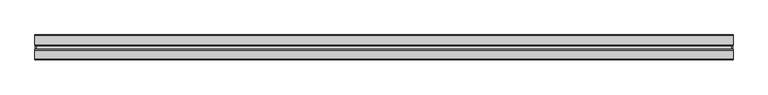
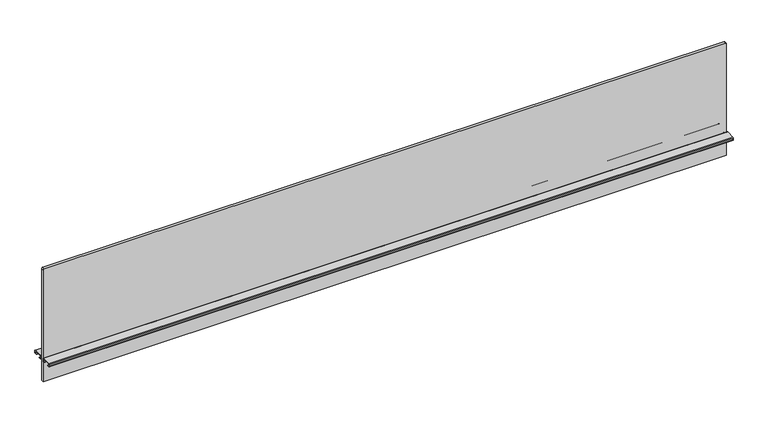
"""IFC4 building model written with IfcOpenShell, lengths in millimetres: furniture geometry."""

from ifc_helpers import new_model, si_unit, point, frame, frame_2d, origin, place, context, project, spatial, polyline, circle_curve, trimmed, segment, composite_curve, outline, extrude, source, transform, mapped, element, save


def furniture_17ac8b40(model_context):
    return source(origin(), model_context, "Body", "SweptSolid", [
        extrude(outline(composite_curve([segment(polyline([(1061.059613, 1061.72), (1061.059613, -1061.72)]), True, "CONTINUOUS"), segment(trimmed(circle_curve(frame_2d((1057.249613, -1061.72)), 3.81), [point((1061.059613, -1061.72))], [point((1057.249613, -1065.53))], False, "CARTESIAN"), True, "CONTINUOUS"), segment(polyline([(1057.249613, -1065.53), (689.965613, -1065.53), (689.965613, 1065.53), (1057.249613, 1065.53)]), True, "CONTINUOUS"), segment(trimmed(circle_curve(frame_2d((1057.249613, 1061.72)), 3.81), [point((1057.249613, 1065.53))], [point((1061.059613, 1061.72))], False, "CARTESIAN"), True, "CONTINUOUS")], self_intersect=False)), frame((0.0, -3.683001, 0.0), z_axis=(0.0, 1.0, 0.0), x_axis=(0.0, 0.0, 1.0)), (0.0, 0.0, 1.0), 7.3660021),
        extrude(outline(composite_curve([segment(polyline([(8.1724496, 769.2644064), (36.0679996, 769.2644064)]), True, "CONTINUOUS"), segment(trimmed(circle_curve(frame_2d((36.0679996, 767.2324064)), 2.032), [point((36.0679996, 769.2644064))], [point((38.0999996, 767.2324064))], False, "CARTESIAN"), True, "CONTINUOUS"), segment(polyline([(38.0999996, 767.2324064), (38.0999996, 761.1364161)]), True, "CONTINUOUS"), segment(trimmed(circle_curve(frame_2d((36.0679996, 761.1364161)), 2.032), [point((38.0999996, 761.1364161))], [point((36.0679996, 759.1044161))], False, "CARTESIAN"), True, "CONTINUOUS"), segment(polyline([(36.0679996, 759.1044161), (30.7784504, 759.1044161), (30.7784504, 760.0187498), (36.1695996, 760.0187498)]), True, "CONTINUOUS"), segment(trimmed(circle_curve(frame_2d((36.1695996, 761.0347498)), 1.016), [point((36.1695996, 760.0187498))], [point((37.1855996, 761.0347498))], True, "CARTESIAN"), True, "CONTINUOUS"), segment(polyline([(37.1855996, 761.0347498), (37.1855996, 767.334)]), True, "CONTINUOUS"), segment(trimmed(circle_curve(frame_2d((36.1695996, 767.334)), 1.016), [point((37.1855996, 767.334))], [point((36.1695996, 768.35))], True, "CARTESIAN"), True, "CONTINUOUS"), segment(polyline([(36.1695996, 768.35), (8.0708496, 768.35)]), True, "CONTINUOUS"), segment(trimmed(circle_curve(frame_2d((8.0708496, 767.334)), 1.016), [point((8.0708496, 768.35))], [point((7.0548496, 767.334))], True, "CARTESIAN"), True, "CONTINUOUS"), segment(polyline([(7.0548496, 767.334), (7.0548496, 761.0347498)]), True, "CONTINUOUS"), segment(trimmed(circle_curve(frame_2d((8.0708496, 761.0347498)), 1.016), [point((7.0548496, 761.0347498))], [point((8.0708496, 760.0187498))], True, "CARTESIAN"), True, "CONTINUOUS"), segment(polyline([(8.0708496, 760.0187498), (13.4619988, 760.0187498), (13.4619988, 759.1044161), (8.1724496, 759.1044161)]), True, "CONTINUOUS"), segment(trimmed(circle_curve(frame_2d((8.1724496, 761.1364161)), 2.032), [point((8.1724496, 759.1044161))], [point((6.1404496, 761.1364161))], False, "CARTESIAN"), True, "CONTINUOUS"), segment(polyline([(6.1404496, 761.1364161), (6.1404496, 767.2324064)]), True, "CONTINUOUS"), segment(trimmed(circle_curve(frame_2d((8.1724496, 767.2324064)), 2.032), [point((6.1404496, 767.2324064))], [point((8.1724496, 769.2644064))], False, "CARTESIAN"), True, "CONTINUOUS")], self_intersect=False)), frame((-1066.8, 0.0, 0.0), z_axis=(1.0, 0.0, 0.0), x_axis=(0.0, 1.0, 0.0)), (0.0, 0.0, 1.0), 2133.6),
        extrude(outline(composite_curve([segment(trimmed(circle_curve(frame_2d((-8.1724496, 767.2324064)), 2.032), [point((-8.1724496, 769.2644064))], [point((-6.1404496, 767.2324064))], False, "CARTESIAN"), True, "CONTINUOUS"), segment(polyline([(-6.1404496, 767.2324064), (-6.1404496, 761.1364161)]), True, "CONTINUOUS"), segment(trimmed(circle_curve(frame_2d((-8.1724496, 761.1364161)), 2.032), [point((-6.1404496, 761.1364161))], [point((-8.1724496, 759.1044161))], False, "CARTESIAN"), True, "CONTINUOUS"), segment(polyline([(-8.1724496, 759.1044161), (-13.4619988, 759.1044161), (-13.4619988, 760.0187498), (-8.0708496, 760.0187498)]), True, "CONTINUOUS"), segment(trimmed(circle_curve(frame_2d((-8.0708496, 761.0347498)), 1.016), [point((-8.0708496, 760.0187498))], [point((-7.0548496, 761.0347498))], True, "CARTESIAN"), True, "CONTINUOUS"), segment(polyline([(-7.0548496, 761.0347498), (-7.0548496, 767.334)]), True, "CONTINUOUS"), segment(trimmed(circle_curve(frame_2d((-8.0708496, 767.334)), 1.016), [point((-7.0548496, 767.334))], [point((-8.0708496, 768.35))], True, "CARTESIAN"), True, "CONTINUOUS"), segment(polyline([(-8.0708496, 768.35), (-36.1695996, 768.35)]), True, "CONTINUOUS"), segment(trimmed(circle_curve(frame_2d((-36.1695996, 767.334)), 1.016), [point((-36.1695996, 768.35))], [point((-37.1855996, 767.334))], True, "CARTESIAN"), True, "CONTINUOUS"), segment(polyline([(-37.1855996, 767.334), (-37.1855996, 761.0347498)]), True, "CONTINUOUS"), segment(trimmed(circle_curve(frame_2d((-36.1695996, 761.0347498)), 1.016), [point((-37.1855996, 761.0347498))], [point((-36.1695996, 760.0187498))], True, "CARTESIAN"), True, "CONTINUOUS"), segment(polyline([(-36.1695996, 760.0187498), (-30.7784504, 760.0187498), (-30.7784504, 759.1044161), (-36.0679996, 759.1044161)]), True, "CONTINUOUS"), segment(trimmed(circle_curve(frame_2d((-36.0679996, 761.1364161)), 2.032), [point((-36.0679996, 759.1044161))], [point((-38.0999996, 761.1364161))], False, "CARTESIAN"), True, "CONTINUOUS"), segment(polyline([(-38.0999996, 761.1364161), (-38.0999996, 767.2324064)]), True, "CONTINUOUS"), segment(trimmed(circle_curve(frame_2d((-36.0679996, 767.2324064)), 2.032), [point((-38.0999996, 767.2324064))], [point((-36.0679996, 769.2644064))], False, "CARTESIAN"), True, "CONTINUOUS"), segment(polyline([(-36.0679996, 769.2644064), (-8.1724496, 769.2644064)]), True, "CONTINUOUS")], self_intersect=False)), frame((-1066.8, 0.0, 0.0), z_axis=(1.0, 0.0, 0.0), x_axis=(0.0, 1.0, 0.0)), (0.0, 0.0, 1.0), 2133.6),
    ])


if __name__ == "__main__":
    model = new_model("IFC4")
    model_context = context("Model", 3, world=origin())
    ifc_project = project(units=[si_unit("LENGTHUNIT", "METRE", prefix="MILLI")], contexts=[model_context])
    site = spatial("IfcSite", under=ifc_project)
    building = spatial("IfcBuilding", under=site)
    placement = place(None, origin())
    furniture_shape = furniture_17ac8b40(model_context)
    element("IfcFurniture", 1, at=placement, inside=building, context=model_context, shape_type="MappedRepresentation", body=[
        mapped(furniture_shape, transform((0.0, 0.0, 0.0), x_axis=(1.0, 0.0, 0.0), y_axis=(0.0, 1.0, 0.0), z_axis=(0.0, 0.0, 1.0))),
    ])
    save(model, "model.ifc")
